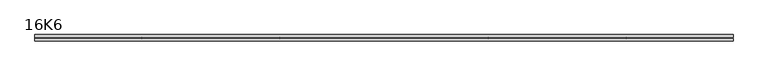
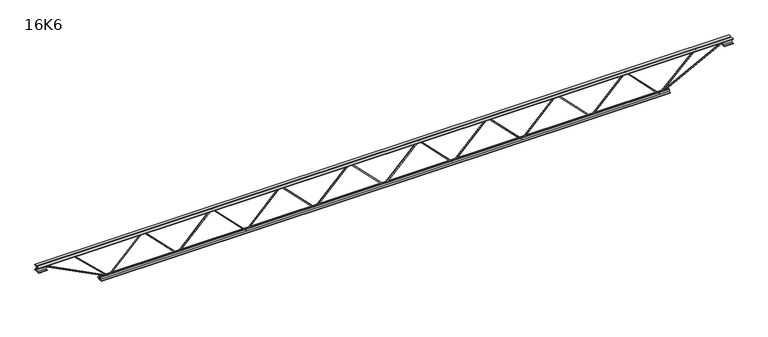
"""IFC4 building model written with IfcOpenShell, lengths in millimetres: beam geometry, 16K6."""

from ifc_helpers import new_model, si_unit, frame, origin, place, context, project, spatial, polyline, outline, extrude, source, transform, mapped, element, save


def beam_16k6_ca77bcdf(model_context):
    return source(origin(), model_context, "Body", "SweptSolid", [
        extrude(outline(polyline([(-191.9, 1565.25), (-201.4, 1565.25), (-201.4, 1570.4223885), (191.9, 1955.3848885), (191.9, 1957.7401115), (-201.4, 2342.7026115), (-201.4, 2347.875), (-191.9, 2347.875), (-191.9, 2346.6973885), (201.4, 1961.7348885), (201.4, 1951.3901115), (-191.9, 1566.4276115), (-191.9, 1565.25)])), frame((0.0, -4.75, 0.0), z_axis=(0.0, 1.0, 0.0), x_axis=(0.0, 0.0, 1.0)), (0.0, 0.0, 1.0), 9.5),
        extrude(outline(polyline([(-191.9, 782.625), (-201.4, 782.625), (-201.4, 787.7973885), (191.9, 1172.7598885), (191.9, 1175.1151115), (-201.4, 1560.0776115), (-201.4, 1565.25), (-191.9, 1565.25), (-191.9, 1564.0723885), (201.4, 1179.1098885), (201.4, 1168.7651115), (-191.9, 783.8026115), (-191.9, 782.625)])), frame((0.0, -4.75, 0.0), z_axis=(0.0, 1.0, 0.0), x_axis=(0.0, 0.0, 1.0)), (0.0, 0.0, 1.0), 9.5),
        extrude(outline(polyline([(-191.9, 0.0), (-201.4, 0.0), (-201.4, 5.1723885), (191.9, 390.1348885), (191.9, 392.4901115), (-201.4, 777.4526115), (-201.4, 782.625), (-191.9, 782.625), (-191.9, 781.4473885), (201.4, 396.4848885), (201.4, 386.1401115), (-191.9, 1.1776115), (-191.9, 0.0)])), frame((0.0, -4.75, 0.0), z_axis=(0.0, 1.0, 0.0), x_axis=(0.0, 0.0, 1.0)), (0.0, 0.0, 1.0), 9.5),
        extrude(outline(polyline([(-191.9, -782.625), (-201.4, -782.625), (-201.4, -777.4526115), (191.9, -392.4901115), (191.9, -390.1348885), (-201.4, -5.1723885), (-201.4, 0.0), (-191.9, 0.0), (-191.9, -1.1776115), (201.4, -386.1401115), (201.4, -396.4848885), (-191.9, -781.4473885), (-191.9, -782.625)])), frame((0.0, -4.75, 0.0), z_axis=(0.0, 1.0, 0.0), x_axis=(0.0, 0.0, 1.0)), (0.0, 0.0, 1.0), 9.5),
        extrude(outline(polyline([(-191.9, -1565.25), (-201.4, -1565.25), (-201.4, -1560.0776115), (191.9, -1175.1151115), (191.9, -1172.7598885), (-201.4, -787.7973885), (-201.4, -782.625), (-191.9, -782.625), (-191.9, -783.8026115), (201.4, -1168.7651115), (201.4, -1179.1098885), (-191.9, -1564.0723885), (-191.9, -1565.25)])), frame((0.0, -4.75, 0.0), z_axis=(0.0, 1.0, 0.0), x_axis=(0.0, 0.0, 1.0)), (0.0, 0.0, 1.0), 9.5),
        extrude(outline(polyline([(-191.9, -2347.875), (-201.4, -2347.875), (-201.4, -2342.7026115), (191.9, -1957.7401115), (191.9, -1955.3848885), (-201.4, -1570.4223885), (-201.4, -1565.25), (-191.9, -1565.25), (-191.9, -1566.4276115), (201.4, -1951.3901115), (201.4, -1961.7348885), (-191.9, -2346.6973885), (-191.9, -2347.875)])), frame((0.0, -4.75, 0.0), z_axis=(0.0, 1.0, 0.0), x_axis=(0.0, 0.0, 1.0)), (0.0, 0.0, 1.0), 9.5),
        extrude(outline(polyline([(-191.9, 2347.875), (-201.4, 2347.875), (-201.4, 2353.0473885), (191.9, 2738.0098885), (191.9, 2740.3651115), (-201.4, 3125.3276115), (-201.4, 3130.5), (-191.9, 3130.5), (-191.9, 3129.3223885), (201.4, 2744.3598885), (201.4, 2734.0151115), (-191.9, 2349.0526115), (-191.9, 2347.875)])), frame((0.0, -4.75, 0.0), z_axis=(0.0, 1.0, 0.0), x_axis=(0.0, 0.0, 1.0)), (0.0, 0.0, 1.0), 9.5),
        extrude(outline(polyline([(-191.9, -3130.5), (-201.4, -3130.5), (-201.4, -3125.3276115), (191.9, -2740.3651115), (191.9, -2738.0098885), (-201.4, -2353.0473885), (-201.4, -2347.875), (-191.9, -2347.875), (-191.9, -2349.0526115), (201.4, -2734.0151115), (201.4, -2744.3598885), (-191.9, -3129.3223885), (-191.9, -3130.5)])), frame((0.0, -4.75, 0.0), z_axis=(0.0, 1.0, 0.0), x_axis=(0.0, 0.0, 1.0)), (0.0, 0.0, 1.0), 9.5),
        extrude(outline(polyline([(4.75, 203.0), (36.75, 203.0), (36.75, 196.5), (11.25, 196.5), (11.25, 171.0), (4.75, 171.0), (4.75, 203.0)])), frame((-3942.5, 0.0, 0.0), z_axis=(1.0, 0.0, 0.0), x_axis=(0.0, 1.0, 0.0)), (0.0, 0.0, 1.0), 7885.0),
        extrude(outline(polyline([(-4.75, 203.0), (-4.75, 171.0), (-11.25, 171.0), (-11.25, 196.5), (-36.75, 196.5), (-36.75, 203.0), (-4.75, 203.0)])), frame((-3942.5, 0.0, 0.0), z_axis=(1.0, 0.0, 0.0), x_axis=(0.0, 1.0, 0.0)), (0.0, 0.0, 1.0), 7885.0),
        extrude(outline(polyline([(-4.75, 139.5), (-36.75, 139.5), (-36.75, 146.0), (-11.25, 146.0), (-11.25, 171.0), (-4.75, 171.0), (-4.75, 139.5)])), frame((-3942.5, 0.0, 0.0), z_axis=(1.0, 0.0, 0.0), x_axis=(0.0, 1.0, 0.0)), (0.0, 0.0, 1.0), 100.0),
        extrude(outline(polyline([(36.75, 139.5), (4.75, 139.5), (4.75, 171.0), (11.25, 171.0), (11.25, 146.0), (36.75, 146.0), (36.75, 139.5)])), frame((-3942.5, 0.0, 0.0), z_axis=(1.0, 0.0, 0.0), x_axis=(0.0, 1.0, 0.0)), (0.0, 0.0, 1.0), 100.0),
        extrude(outline(polyline([(4.75, 139.5), (4.75, 171.0), (11.25, 171.0), (11.25, 146.0), (36.75, 146.0), (36.75, 139.5), (4.75, 139.5)])), frame((3842.5, 0.0, 0.0), z_axis=(1.0, 0.0, 0.0), x_axis=(0.0, 1.0, 0.0)), (0.0, 0.0, 1.0), 100.0),
        extrude(outline(polyline([(-4.75, 139.5), (-36.75, 139.5), (-36.75, 146.0), (-11.25, 146.0), (-11.25, 171.0), (-4.75, 171.0), (-4.75, 139.5)])), frame((3842.5, 0.0, 0.0), z_axis=(1.0, 0.0, 0.0), x_axis=(0.0, 1.0, 0.0)), (0.0, 0.0, 1.0), 100.0),
        extrude(outline(polyline([(4.75, -203.0), (4.75, -171.0), (11.25, -171.0), (11.25, -196.5), (36.75, -196.5), (36.75, -203.0), (4.75, -203.0)])), frame((-3230.5, 0.0, 0.0), z_axis=(1.0, 0.0, 0.0), x_axis=(0.0, 1.0, 0.0)), (0.0, 0.0, 1.0), 6461.0),
        extrude(outline(polyline([(-4.75, -203.0), (-36.75, -203.0), (-36.75, -196.5), (-11.25, -196.5), (-11.25, -171.0), (-4.75, -171.0), (-4.75, -203.0)])), frame((-3230.5, 0.0, 0.0), z_axis=(1.0, 0.0, 0.0), x_axis=(0.0, 1.0, 0.0)), (0.0, 0.0, 1.0), 6461.0),
        extrude(outline(polyline([(-200.8705467, -3132.6793315), (-192.4294533, -3128.3206685), (175.75, -3841.3460208), (175.75, -3942.5), (166.25, -3942.5), (166.25, -3843.6539792), (-200.8705467, -3132.6793315)])), frame((0.0, -4.75, 0.0), z_axis=(0.0, 1.0, 0.0), x_axis=(0.0, 0.0, 1.0)), (0.0, 0.0, 1.0), 9.5),
        extrude(outline(polyline([(188.7, -3541.7696429), (179.2, -3541.7696429), (179.2, -3530.9732996), (-200.0853053, -3133.7804234), (-193.2146947, -3127.2195766), (188.7, -3527.1659862), (188.7, -3541.7696429)])), frame((0.0, -4.75, 0.0), z_axis=(0.0, 1.0, 0.0), x_axis=(0.0, 0.0, 1.0)), (0.0, 0.0, 1.0), 9.5),
        extrude(outline(polyline([(0.0, -9.5), (0.0, 0.0), (801.3179909, 0.0), (801.3179909, -9.5), (0.0, -9.5)])), frame((3844.6793315, -4.75, 166.7794533), z_axis=(-0.4588066213244962, 0.0, 0.8885361468329808), x_axis=(-0.8885361468329808, 0.0, -0.4588066213244962)), (0.0, 0.0, 1.0), 9.5),
        extrude(outline(polyline([(0.0, -9.5), (0.0, 0.0), (565.1373904, 0.0), (565.1373904, -9.5), (0.0, -9.5)])), frame((3539.6324863, -4.75, 193.2390113), z_axis=(-0.6959369645267337, 0.0, 0.7181028766167951), x_axis=(-0.7181028766167951, 0.0, -0.6959369645267337)), (0.0, 0.0, 1.0), 9.5),
    ])


if __name__ == "__main__":
    model = new_model("IFC4")
    model_context = context("Model", 3, world=origin())
    ifc_project = project(units=[si_unit("LENGTHUNIT", "METRE", prefix="MILLI")], contexts=[model_context])
    site = spatial("IfcSite", under=ifc_project)
    building = spatial("IfcBuilding", under=site)
    placement = place(None, origin())
    beam_16k6_shape = beam_16k6_ca77bcdf(model_context)
    element("IfcBeam", 1, ObjectType="16K6", at=placement, inside=building, context=model_context, shape_type="MappedRepresentation", body=[
        mapped(beam_16k6_shape, transform((0.0, 0.0, 0.0), x_axis=(1.0, 0.0, 0.0), y_axis=(0.0, 1.0, 0.0), z_axis=(0.0, 0.0, 1.0))),
    ])
    save(model, "model.ifc")
